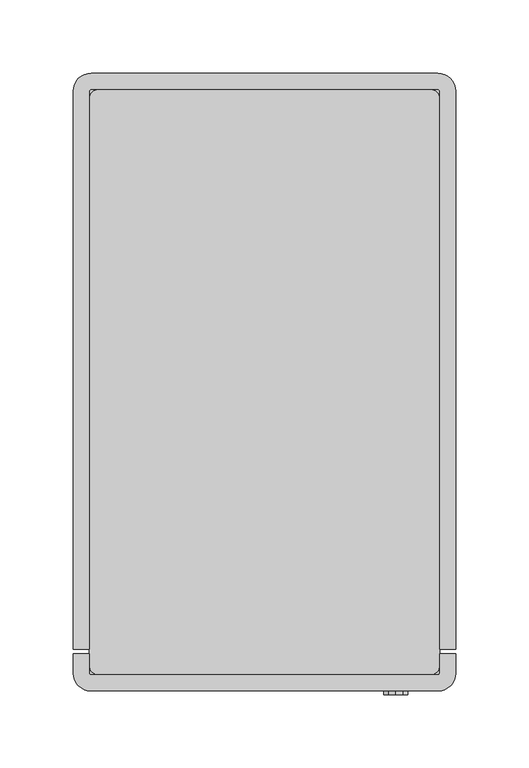
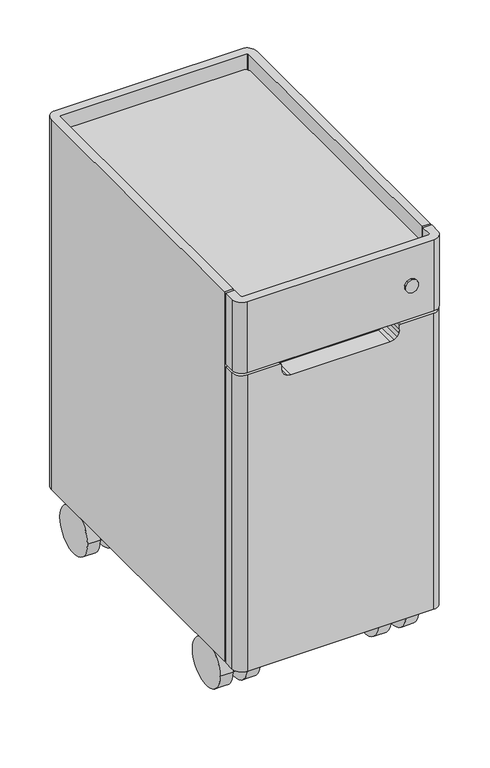
"""IFC4 building model written with IfcOpenShell, lengths in millimetres: furniture geometry."""

from ifc_helpers import new_model, si_unit, point, frame, frame_2d, origin, place, context, project, spatial, polyline, circle_curve, trimmed, segment, composite_curve, outline, extrude, source, transform, mapped, element, save
from ifc_brep_helpers import plane_surface, cylinder_surface, revolved_surface, advanced_brep


def furniture_d437782a(model_context):
    return source(origin(), model_context, "Body", "SolidModel", [
        advanced_brep(
        [(230.8338534, 392.1080568, 81.9865934), (230.8338534, 384.3838281, 81.9865934), (230.8338534, 388.2459425, 81.9865934), (230.8338534, 396.2469802, 60.9600009), (230.8338534, 380.2449047, 60.9600009), (230.8338534, 396.2469802, 30.4800005), (230.8338534, 380.2449047, 30.4800005), (230.8338534, 388.2459425, 30.4800005)],
        [
            (0, 1, circle_curve(frame((230.8338534, 388.2459425, 81.9865934), z_axis=(0.0, 0.0, 1.0), x_axis=(0.0, -1.0, 0.0)), 3.8621143)),
            (1, 2),
            (2, 0),
            (1, 0, circle_curve(frame((230.8338534, 388.2459425, 81.9865934), z_axis=(0.0, 0.0, 1.0), x_axis=(0.0, -1.0, 0.0)), 3.8621143)),
            (0, 3),
            (3, 4, circle_curve(frame((230.8338534, 388.2459425, 60.9600009), z_axis=(0.0, 0.0, 1.0), x_axis=(0.0, -1.0, 0.0)), 8.0010378)),
            (4, 1),
            (4, 3, circle_curve(frame((230.8338534, 388.2459425, 60.9600009), z_axis=(0.0, 0.0, 1.0), x_axis=(0.0, -1.0, 0.0)), 8.0010378)),
            (3, 5),
            (5, 6, circle_curve(frame((230.8338534, 388.2459425, 30.4800005), z_axis=(0.0, 0.0, 1.0), x_axis=(0.0, -1.0, 0.0)), 8.0010378)),
            (6, 4),
            (6, 5, circle_curve(frame((230.8338534, 388.2459425, 30.4800005), z_axis=(0.0, 0.0, 1.0), x_axis=(0.0, -1.0, 0.0)), 8.0010378)),
            (5, 7),
            (7, 6),
        ],
        [
            plane_surface(frame((230.8338534, 388.2459425, 81.9865934), z_axis=(0.0, 0.0, 1.0), x_axis=(0.0, -1.0, 0.0))),
            revolved_surface(polyline([(230.8338534, 384.3838281, 81.9865934), (230.8338534, 380.2449047, 60.9600009)]), (230.8338534, 388.2459425, 64.8312081), (0.0, 0.0, -1.0)),
            cylinder_surface(frame((230.8338534, 388.2459425, 64.8312081), z_axis=(0.0, 0.0, -1.0), x_axis=(0.0, -1.0, 0.0)), 8.0010378),
            plane_surface(frame((230.8338534, 388.2459425, 30.4800005), z_axis=(0.0, 0.0, -1.0), x_axis=(0.0, -1.0, 0.0))),
        ],
        [
            (0, [[1, 2, 3]]),
            (0, [[-2, 4, -3]]),
            (1, [[-1, 5, 6, 7]]),
            (1, [[-4, -7, 8, -5]]),
            (2, [[-6, 9, 10, 11]]),
            (2, [[-8, -11, 12, -9]]),
            (3, [[-10, 13, 14]]),
            (3, [[-12, -14, -13]]),
        ],
    ),
        extrude(outline(composite_curve([segment(trimmed(circle_curve(frame_2d((367.9259255, 30.4800005)), 30.4800005), [point((337.445925, 30.4800005))], [point((398.405926, 30.4800005))], False, "CARTESIAN"), True, "CONTINUOUS"), segment(trimmed(circle_curve(frame_2d((367.9259255, 30.4800005)), 30.4800005), [point((398.405926, 30.4800005))], [point((337.445925, 30.4800005))], False, "CARTESIAN"), True, "CONTINUOUS")], self_intersect=False)), frame((240.2318535, 0.0, 0.0), z_axis=(1.0, 0.0, 0.0), x_axis=(0.0, 1.0, 0.0)), (0.0, 0.0, 1.0), 16.0020006),
        extrude(outline(composite_curve([segment(trimmed(circle_curve(frame_2d((367.9259255, 30.4800005)), 30.4800005), [point((337.445925, 30.4800005))], [point((398.405926, 30.4800005))], False, "CARTESIAN"), True, "CONTINUOUS"), segment(trimmed(circle_curve(frame_2d((367.9259255, 30.4800005)), 30.4800005), [point((398.405926, 30.4800005))], [point((337.445925, 30.4800005))], False, "CARTESIAN"), True, "CONTINUOUS")], self_intersect=False)), frame((205.4338526, 0.0, 0.0), z_axis=(1.0, 0.0, 0.0), x_axis=(0.0, 1.0, 0.0)), (0.0, 0.0, 1.0), 16.0020008),
        extrude(outline(composite_curve([segment(trimmed(circle_curve(frame_2d((367.9259255, 30.4800005)), 30.4800005), [point((337.445925, 30.4800005))], [point((398.405926, 30.4800005))], False, "CARTESIAN"), True, "CONTINUOUS"), segment(polyline([(398.405926, 30.4800005), (337.445925, 30.4800005)]), True, "CONTINUOUS")], self_intersect=False)), frame((222.2935172, 0.0, 0.0), z_axis=(1.0, 0.0, 0.0), x_axis=(0.0, 1.0, 0.0)), (0.0, 0.0, 1.0), 17.0806723),
        advanced_brep(
        [(230.8338534, 56.2728064, 81.9865934), (230.8338534, 60.1349207, 81.9865934), (230.8338534, 52.410692, 81.9865934), (230.8338534, 64.2738442, 60.9600009), (230.8338534, 48.2717686, 60.9600009), (230.8338534, 64.2738442, 30.4800005), (230.8338534, 48.2717686, 30.4800005), (230.8338534, 56.2728064, 30.4800005)],
        [
            (0, 1),
            (1, 2, circle_curve(frame((230.8338534, 56.2728064, 81.9865934), z_axis=(0.0, 0.0, 1.0), x_axis=(0.0, 1.0, 0.0)), 3.8621143)),
            (2, 0),
            (2, 1, circle_curve(frame((230.8338534, 56.2728064, 81.9865934), z_axis=(0.0, 0.0, 1.0), x_axis=(0.0, 1.0, 0.0)), 3.8621143)),
            (1, 3),
            (3, 4, circle_curve(frame((230.8338534, 56.2728064, 60.9600009), z_axis=(0.0, 0.0, 1.0), x_axis=(0.0, 1.0, 0.0)), 8.0010378)),
            (4, 2),
            (4, 3, circle_curve(frame((230.8338534, 56.2728064, 60.9600009), z_axis=(0.0, 0.0, 1.0), x_axis=(0.0, 1.0, 0.0)), 8.0010378)),
            (3, 5),
            (5, 6, circle_curve(frame((230.8338534, 56.2728064, 30.4800005), z_axis=(0.0, 0.0, 1.0), x_axis=(0.0, 1.0, 0.0)), 8.0010378)),
            (6, 4),
            (6, 5, circle_curve(frame((230.8338534, 56.2728064, 30.4800005), z_axis=(0.0, 0.0, 1.0), x_axis=(0.0, 1.0, 0.0)), 8.0010378)),
            (5, 7),
            (7, 6),
        ],
        [
            plane_surface(frame((230.8338534, 56.2728064, 81.9865934), z_axis=(0.0, 0.0, 1.0), x_axis=(0.0, 1.0, 0.0))),
            revolved_surface(polyline([(230.8338534, 64.2738442, 60.9600009), (230.8338534, 60.1349207, 81.9865934)]), (230.8338534, 56.2728064, 64.8312081), (0.0, 0.0, 1.0)),
            cylinder_surface(frame((230.8338534, 56.2728064, 64.8312081), z_axis=(0.0, 0.0, 1.0), x_axis=(0.0, 1.0, 0.0)), 8.0010378),
            plane_surface(frame((230.8338534, 56.2728064, 30.4800005), z_axis=(0.0, 0.0, -1.0), x_axis=(0.0, 1.0, 0.0))),
        ],
        [
            (0, [[1, 2, 3]]),
            (0, [[-1, -3, 4]]),
            (1, [[-2, 5, 6, 7]]),
            (1, [[-4, -7, 8, -5]]),
            (2, [[-6, 9, 10, 11]]),
            (2, [[-8, -11, 12, -9]]),
            (3, [[-10, 13, 14]]),
            (3, [[-12, -14, -13]]),
        ],
    ),
        extrude(outline(composite_curve([segment(trimmed(circle_curve(frame_2d((76.5928234, 30.4800005)), 30.4800005), [point((46.1128229, 30.4800005))], [point((107.0728238, 30.4800005))], False, "CARTESIAN"), True, "CONTINUOUS"), segment(trimmed(circle_curve(frame_2d((76.5928234, 30.4800005)), 30.4800005), [point((107.0728238, 30.4800005))], [point((46.1128229, 30.4800005))], False, "CARTESIAN"), True, "CONTINUOUS")], self_intersect=False)), frame((240.2318535, 0.0, 0.0), z_axis=(1.0, 0.0, 0.0), x_axis=(0.0, 1.0, 0.0)), (0.0, 0.0, 1.0), 16.0020006),
        extrude(outline(composite_curve([segment(trimmed(circle_curve(frame_2d((76.5928234, 30.4800005)), 30.4800005), [point((107.0728238, 30.4800005))], [point((46.1128229, 30.4800005))], False, "CARTESIAN"), True, "CONTINUOUS"), segment(trimmed(circle_curve(frame_2d((76.5928234, 30.4800005)), 30.4800005), [point((46.1128229, 30.4800005))], [point((107.0728238, 30.4800005))], False, "CARTESIAN"), True, "CONTINUOUS")], self_intersect=False)), frame((205.4338526, 0.0, 0.0), z_axis=(1.0, 0.0, 0.0), x_axis=(0.0, 1.0, 0.0)), (0.0, 0.0, 1.0), 16.0020008),
        extrude(outline(composite_curve([segment(trimmed(circle_curve(frame_2d((76.5928234, 30.4800005)), 30.4800005), [point((46.1128229, 30.4800005))], [point((107.0728238, 30.4800005))], False, "CARTESIAN"), True, "CONTINUOUS"), segment(polyline([(107.0728238, 30.4800005), (46.1128229, 30.4800005)]), True, "CONTINUOUS")], self_intersect=False)), frame((222.2935172, 0.0, 0.0), z_axis=(1.0, 0.0, 0.0), x_axis=(0.0, 1.0, 0.0)), (0.0, 0.0, 1.0), 17.0806723),
        advanced_brep(
        [(30.1661494, 388.2459425, 81.9865934), (30.1661494, 384.3838281, 81.9865934), (30.1661494, 392.1080568, 81.9865934), (30.1661494, 380.2449047, 60.9600009), (30.1661494, 396.2469802, 60.9600009), (30.1661494, 380.2449047, 30.4800005), (30.1661494, 396.2469802, 30.4800005), (30.1661494, 388.2459425, 30.4800005)],
        [
            (0, 1),
            (1, 2, circle_curve(frame((30.1661494, 388.2459425, 81.9865934), z_axis=(0.0, 0.0, 1.0), x_axis=(0.0, -1.0, 0.0)), 3.8621143)),
            (2, 0),
            (2, 1, circle_curve(frame((30.1661494, 388.2459425, 81.9865934), z_axis=(0.0, 0.0, 1.0), x_axis=(0.0, -1.0, 0.0)), 3.8621143)),
            (1, 3),
            (3, 4, circle_curve(frame((30.1661494, 388.2459425, 60.9600009), z_axis=(0.0, 0.0, 1.0), x_axis=(0.0, -1.0, 0.0)), 8.0010378)),
            (4, 2),
            (4, 3, circle_curve(frame((30.1661494, 388.2459425, 60.9600009), z_axis=(0.0, 0.0, 1.0), x_axis=(0.0, -1.0, 0.0)), 8.0010378)),
            (3, 5),
            (5, 6, circle_curve(frame((30.1661494, 388.2459425, 30.4800005), z_axis=(0.0, 0.0, 1.0), x_axis=(0.0, -1.0, 0.0)), 8.0010378)),
            (6, 4),
            (6, 5, circle_curve(frame((30.1661494, 388.2459425, 30.4800005), z_axis=(0.0, 0.0, 1.0), x_axis=(0.0, -1.0, 0.0)), 8.0010378)),
            (5, 7),
            (7, 6),
        ],
        [
            plane_surface(frame((30.1661494, 388.2459425, 81.9865934), z_axis=(0.0, 0.0, 1.0), x_axis=(0.0, -1.0, 0.0))),
            revolved_surface(polyline([(30.1661494, 380.2449047, 60.9600009), (30.1661494, 384.3838281, 81.9865934)]), (30.1661494, 388.2459425, 64.8312081), (0.0, 0.0, 1.0)),
            cylinder_surface(frame((30.1661494, 388.2459425, 64.8312081), z_axis=(0.0, 0.0, 1.0), x_axis=(0.0, -1.0, 0.0)), 8.0010378),
            plane_surface(frame((30.1661494, 388.2459425, 30.4800005), z_axis=(0.0, 0.0, -1.0), x_axis=(0.0, -1.0, 0.0))),
        ],
        [
            (0, [[1, 2, 3]]),
            (0, [[-1, -3, 4]]),
            (1, [[-2, 5, 6, 7]]),
            (1, [[-4, -7, 8, -5]]),
            (2, [[-6, 9, 10, 11]]),
            (2, [[-8, -11, 12, -9]]),
            (3, [[-10, 13, 14]]),
            (3, [[-12, -14, -13]]),
        ],
    ),
        extrude(outline(composite_curve([segment(trimmed(circle_curve(frame_2d((367.9259255, 30.4800005)), 30.4800005), [point((337.445925, 30.4800005))], [point((398.405926, 30.4800005))], False, "CARTESIAN"), True, "CONTINUOUS"), segment(trimmed(circle_curve(frame_2d((367.9259255, 30.4800005)), 30.4800005), [point((398.405926, 30.4800005))], [point((337.445925, 30.4800005))], False, "CARTESIAN"), True, "CONTINUOUS")], self_intersect=False)), frame((4.7661486, 0.0, 0.0), z_axis=(1.0, 0.0, 0.0), x_axis=(0.0, 1.0, 0.0)), (0.0, 0.0, 1.0), 16.0020006),
        extrude(outline(composite_curve([segment(trimmed(circle_curve(frame_2d((367.9259255, 30.4800005)), 30.4800005), [point((337.445925, 30.4800005))], [point((398.405926, 30.4800005))], False, "CARTESIAN"), True, "CONTINUOUS"), segment(trimmed(circle_curve(frame_2d((367.9259255, 30.4800005)), 30.4800005), [point((398.405926, 30.4800005))], [point((337.445925, 30.4800005))], False, "CARTESIAN"), True, "CONTINUOUS")], self_intersect=False)), frame((39.5641494, 0.0, 0.0), z_axis=(1.0, 0.0, 0.0), x_axis=(0.0, 1.0, 0.0)), (0.0, 0.0, 1.0), 16.0020008),
        extrude(outline(composite_curve([segment(trimmed(circle_curve(frame_2d((367.9259255, 30.4800005)), 30.4800005), [point((337.445925, 30.4800005))], [point((398.405926, 30.4800005))], False, "CARTESIAN"), True, "CONTINUOUS"), segment(polyline([(398.405926, 30.4800005), (337.445925, 30.4800005)]), True, "CONTINUOUS")], self_intersect=False)), frame((21.6258132, 0.0, 0.0), z_axis=(1.0, 0.0, 0.0), x_axis=(0.0, 1.0, 0.0)), (0.0, 0.0, 1.0), 17.0806723),
        advanced_brep(
        [(30.1661494, 52.410692, 81.9865934), (30.1661494, 60.1349207, 81.9865934), (30.1661494, 56.2728064, 81.9865934), (30.1661494, 48.2717686, 60.9600009), (30.1661494, 64.2738442, 60.9600009), (30.1661494, 48.2717686, 30.4800005), (30.1661494, 64.2738442, 30.4800005), (30.1661494, 56.2728064, 30.4800005)],
        [
            (0, 1, circle_curve(frame((30.1661494, 56.2728064, 81.9865934), z_axis=(0.0, 0.0, 1.0), x_axis=(0.0, 1.0, 0.0)), 3.8621143)),
            (1, 2),
            (2, 0),
            (1, 0, circle_curve(frame((30.1661494, 56.2728064, 81.9865934), z_axis=(0.0, 0.0, 1.0), x_axis=(0.0, 1.0, 0.0)), 3.8621143)),
            (3, 4, circle_curve(frame((30.1661494, 56.2728064, 60.9600009), z_axis=(0.0, 0.0, 1.0), x_axis=(0.0, 1.0, 0.0)), 8.0010378)),
            (4, 1),
            (0, 3),
            (4, 3, circle_curve(frame((30.1661494, 56.2728064, 60.9600009), z_axis=(0.0, 0.0, 1.0), x_axis=(0.0, 1.0, 0.0)), 8.0010378)),
            (5, 6, circle_curve(frame((30.1661494, 56.2728064, 30.4800005), z_axis=(0.0, 0.0, 1.0), x_axis=(0.0, 1.0, 0.0)), 8.0010378)),
            (6, 4),
            (3, 5),
            (6, 5, circle_curve(frame((30.1661494, 56.2728064, 30.4800005), z_axis=(0.0, 0.0, 1.0), x_axis=(0.0, 1.0, 0.0)), 8.0010378)),
            (7, 6),
            (5, 7),
        ],
        [
            plane_surface(frame((30.1661494, 56.2728064, 81.9865934), z_axis=(0.0, 0.0, 1.0), x_axis=(0.0, 1.0, 0.0))),
            revolved_surface(polyline([(30.1661494, 60.1349207, 81.9865934), (30.1661494, 64.2738442, 60.9600009)]), (30.1661494, 56.2728064, 64.8312081), (0.0, 0.0, -1.0)),
            cylinder_surface(frame((30.1661494, 56.2728064, 64.8312081), z_axis=(0.0, 0.0, -1.0), x_axis=(0.0, 1.0, 0.0)), 8.0010378),
            plane_surface(frame((30.1661494, 56.2728064, 30.4800005), z_axis=(0.0, 0.0, -1.0), x_axis=(0.0, 1.0, 0.0))),
        ],
        [
            (0, [[1, 2, 3]]),
            (0, [[4, -3, -2]]),
            (1, [[5, 6, -1, 7]]),
            (1, [[8, -7, -4, -6]]),
            (2, [[9, 10, -5, 11]]),
            (2, [[12, -11, -8, -10]]),
            (3, [[13, -9, 14]]),
            (3, [[-14, -12, -13]]),
        ],
    ),
        advanced_brep(
        [(4.7661486, 107.0728238, 30.4800005), (4.7661486, 46.1128229, 30.4800005), (20.7681494, 107.0728238, 30.4800005), (20.7681494, 76.5928234, 0.0), (20.7681494, 46.1128229, 30.4800005)],
        [
            (0, 1, circle_curve(frame((4.7661486, 76.5928234, 30.4800005), z_axis=(-1.0, 0.0, 0.0), x_axis=(0.0, -1.0, 0.0)), 30.4800005)),
            (1, 0, circle_curve(frame((4.7661486, 76.5928234, 30.4800005), z_axis=(-1.0, 0.0, 0.0), x_axis=(0.0, -1.0, 0.0)), 30.4800005)),
            (0, 2),
            (2, 3, circle_curve(frame((20.7681494, 76.5928234, 30.4800005), z_axis=(-1.0, 0.0, 0.0), x_axis=(0.0, -1.0, 0.0)), 30.4800005)),
            (3, 4, circle_curve(frame((20.7681494, 76.5928234, 30.4800005), z_axis=(-1.0, 0.0, 0.0), x_axis=(0.0, -1.0, 0.0)), 30.4800005)),
            (4, 1),
            (4, 2, circle_curve(frame((20.7681494, 76.5928234, 30.4800005), z_axis=(-1.0, 0.0, 0.0), x_axis=(0.0, -1.0, 0.0)), 30.4800005)),
        ],
        [
            plane_surface(frame((4.7661486, 46.1128229, 30.4800005), z_axis=(-1.0, 0.0, 0.0), x_axis=(0.0, 0.0, 1.0))),
            cylinder_surface(frame((55.5661501, 76.5928234, 30.4800005), z_axis=(-1.0, 0.0, 0.0), x_axis=(0.0, -1.0, 0.0)), 30.4800005),
            plane_surface(frame((20.7681494, 107.0728238, 64.8312081), z_axis=(1.0, 0.0, 0.0), x_axis=(0.0, 0.0, -1.0))),
        ],
        [
            (0, [[1, 2]]),
            (1, [[-1, 3, 4, 5, 6]]),
            (1, [[-2, -6, 7, -3]]),
            (2, [[-4, -7, -5]]),
        ],
    ),
        advanced_brep(
        [(55.5661501, 107.0728238, 30.4800005), (55.5661501, 46.1128229, 30.4800005), (39.5641494, 46.1128229, 30.4800005), (39.5641494, 76.5928234, 0.0), (39.5641494, 107.0728238, 30.4800005)],
        [
            (0, 1, circle_curve(frame((55.5661501, 76.5928234, 30.4800005), z_axis=(1.0, 0.0, 0.0), x_axis=(0.0, -1.0, 0.0)), 30.4800005)),
            (1, 0, circle_curve(frame((55.5661501, 76.5928234, 30.4800005), z_axis=(1.0, 0.0, 0.0), x_axis=(0.0, -1.0, 0.0)), 30.4800005)),
            (1, 2),
            (2, 3, circle_curve(frame((39.5641494, 76.5928234, 30.4800005), z_axis=(1.0, 0.0, 0.0), x_axis=(0.0, -1.0, 0.0)), 30.4800005)),
            (3, 4, circle_curve(frame((39.5641494, 76.5928234, 30.4800005), z_axis=(1.0, 0.0, 0.0), x_axis=(0.0, -1.0, 0.0)), 30.4800005)),
            (4, 0),
            (4, 2, circle_curve(frame((39.5641494, 76.5928234, 30.4800005), z_axis=(1.0, 0.0, 0.0), x_axis=(0.0, -1.0, 0.0)), 30.4800005)),
        ],
        [
            plane_surface(frame((55.5661501, 46.1128229, 30.4800005), z_axis=(1.0, 0.0, 0.0), x_axis=(0.0, 0.0, -1.0))),
            cylinder_surface(frame((55.5661501, 76.5928234, 30.4800005), z_axis=(-1.0, 0.0, 0.0), x_axis=(0.0, -1.0, 0.0)), 30.4800005),
            plane_surface(frame((39.5641494, 46.1128229, 64.8312081), z_axis=(-1.0, 0.0, 0.0), x_axis=(0.0, 0.0, -1.0))),
        ],
        [
            (0, [[1, 2]]),
            (1, [[-2, 3, 4, 5, 6]]),
            (1, [[-1, -6, 7, -3]]),
            (2, [[-5, -4, -7]]),
        ],
    ),
        advanced_brep(
        [(38.7064855, 46.1128229, 30.4800005), (38.7064855, 107.0728238, 30.4800005), (21.6258132, 107.0728238, 30.4800005), (21.6258132, 46.1128229, 30.4800005)],
        [
            (0, 1, circle_curve(frame((38.7064855, 76.5928234, 30.4800005), z_axis=(-1.0, 0.0, 0.0), x_axis=(0.0, -1.0, 0.0)), 30.4800005)),
            (1, 2),
            (2, 3, circle_curve(frame((21.6258132, 76.5928234, 30.4800005), z_axis=(1.0, 0.0, 0.0), x_axis=(0.0, -1.0, 0.0)), 30.4800005)),
            (3, 0),
            (0, 1),
            (2, 3),
        ],
        [
            cylinder_surface(frame((55.5661501, 76.5928234, 30.4800005), z_axis=(-1.0, 0.0, 0.0), x_axis=(0.0, -1.0, 0.0)), 30.4800005),
            plane_surface(frame((38.7064855, 107.0728238, 64.8312081), z_axis=(1.0, 0.0, 0.0), x_axis=(0.0, 0.0, -1.0))),
            plane_surface(frame((21.6258132, 46.1128229, 64.8312081), z_axis=(-1.0, 0.0, 0.0), x_axis=(0.0, 0.0, -1.0))),
            plane_surface(frame((39.5641494, 107.0728238, 30.4800005), z_axis=(0.0, 0.0, -1.0), x_axis=(-1.0, 0.0, 0.0))),
        ],
        [
            (0, [[1, 2, 3, 4]]),
            (1, [[-1, 5]]),
            (2, [[-3, 6]]),
            (3, [[-2, -5, -4, -6]]),
        ],
    ),
        extrude(outline(polyline([(514.0540075, 214.9637501), (509.7614083, 211.8449943), (504.4554641, 211.8449943), (500.162865, 214.9637501), (498.523238, 220.010003), (500.162865, 225.0562559), (504.4554641, 228.1750117), (509.7614083, 228.1750117), (514.0540075, 225.0562559), (515.6936344, 220.010003), (514.0540075, 214.9637501)])), frame((0.0, -2.54, 0.0), z_axis=(0.0, 1.0, 0.0), x_axis=(0.0, 0.0, 1.0)), (0.0, 0.0, 1.0), 2.54),
        extrude(outline(polyline([(250.0087041, 28.4999932), (10.9912986, 28.4999932), (10.9912986, 31.5479932), (250.0087041, 31.5479932), (250.0087041, 28.4999932)])), frame((0.0, 0.0, 62.7640559), z_axis=(0.0, 0.0, 1.0), x_axis=(1.0, 0.0, 0.0)), (0.0, 0.0, 1.0), 27.3200257),
        extrude(outline(composite_curve([segment(trimmed(circle_curve(frame_2d((243.6587041, 404.1587003)), 6.35), [point((243.6587041, 410.5087003))], [point((250.0087041, 404.1587003))], False, "CARTESIAN"), True, "CONTINUOUS"), segment(polyline([(250.0087041, 404.1587003), (250.0087041, 17.3412986)]), True, "CONTINUOUS"), segment(trimmed(circle_curve(frame_2d((243.6587041, 17.3412986)), 6.35), [point((250.0087041, 17.3412986))], [point((243.6587041, 10.9912986))], False, "CARTESIAN"), True, "CONTINUOUS"), segment(polyline([(243.6587041, 10.9912986), (17.3412986, 10.9912986)]), True, "CONTINUOUS"), segment(trimmed(circle_curve(frame_2d((17.3412986, 17.3412986)), 6.35), [point((17.3412986, 10.9912986))], [point((10.9912986, 17.3412986))], False, "CARTESIAN"), True, "CONTINUOUS"), segment(polyline([(10.9912986, 17.3412986), (10.9912986, 404.1587003)]), True, "CONTINUOUS"), segment(trimmed(circle_curve(frame_2d((17.3412986, 404.1587003)), 6.35), [point((10.9912986, 404.1587003))], [point((17.3412986, 410.5087003))], False, "CARTESIAN"), True, "CONTINUOUS"), segment(polyline([(17.3412986, 410.5087003), (243.6587041, 410.5087003)]), True, "CONTINUOUS")], self_intersect=False)), frame((0.0, 0.0, 527.4118917), z_axis=(0.0, 0.0, 1.0), x_axis=(1.0, 0.0, 0.0)), (0.0, 0.0, 1.0), 10.16),
        advanced_brep(
        [(54.3797831, 0.0, 459.4643967), (54.3797831, 25.5000015, 459.4643967), (0.0, 25.5000015, 459.4643967), (0.0, 12.7, 459.4643967), (12.7, 0.0, 459.4643967), (55.5000008, 0.0, 458.344179), (55.5000008, 25.5000015, 458.344179), (55.5000008, 0.0, 452.4643879), (55.5000008, 25.5000015, 452.4643879), (56.4134488, 0.0, 447.87219), (56.4134488, 25.5000015, 447.87219), (59.0147254, 0.0, 443.9791137), (59.0147254, 25.5000015, 443.9791137), (62.9078017, 0.0, 441.377819), (62.9078017, 25.5000015, 441.377819), (67.5000041, 0.0, 440.4643936), (67.5000041, 25.5000015, 440.4643936), (193.4999986, 0.0, 440.4643936), (193.4999986, 25.5000015, 440.4643936), (198.0922146, 0.0, 441.377819), (198.0922146, 25.5000015, 441.377819), (201.985291, 0.0, 443.9791137), (201.985291, 25.5000015, 443.9791137), (204.5865675, 0.0, 447.87219), (204.5865675, 25.5000015, 447.87219), (205.500011, 0.0, 452.4643879), (205.500011, 25.5000015, 452.4643879), (205.500011, 0.0, 458.2351482), (205.500011, 25.5000015, 458.2351482), (206.7292594, 0.0, 459.4643967), (206.7292594, 25.5000015, 459.4643967), (248.3000027, 0.0, 459.4643967), (261.0000027, 12.7, 459.4643967), (261.0000027, 25.5000015, 459.4643967), (0.0, 12.7, 62.7640559), (0.0, 25.5000015, 62.7640559), (261.0000027, 25.5000015, 62.7640559), (261.0000027, 12.7, 62.7640559), (248.3000027, 0.0, 62.7640559), (12.7, 0.0, 62.7640559)],
        [
            (0, 1),
            (1, 2),
            (2, 3),
            (3, 4, circle_curve(frame((12.7, 12.7, 459.4643967), z_axis=(0.0, 0.0, 1.0), x_axis=(1.0, 0.0, 0.0)), 12.7)),
            (4, 0),
            (0, 5, circle_curve(frame((54.3797831, 0.0, 458.344179), z_axis=(0.0, 1.0, 0.0), x_axis=(1.0, 0.0, 0.0)), 1.1202177)),
            (5, 6),
            (6, 1, circle_curve(frame((54.3797831, 25.5000015, 458.344179), z_axis=(0.0, -1.0, 0.0), x_axis=(1.0, 0.0, 0.0)), 1.1202177)),
            (5, 7),
            (7, 8),
            (8, 6),
            (7, 9),
            (9, 10),
            (10, 8),
            (9, 11),
            (11, 12),
            (12, 10),
            (11, 13),
            (13, 14),
            (14, 12),
            (13, 15),
            (15, 16),
            (16, 14),
            (15, 17),
            (17, 18),
            (18, 16),
            (17, 19),
            (19, 20),
            (20, 18),
            (19, 21),
            (21, 22),
            (22, 20),
            (21, 23),
            (23, 24),
            (24, 22),
            (23, 25),
            (25, 26),
            (26, 24),
            (25, 27),
            (27, 28),
            (28, 26),
            (27, 29, circle_curve(frame((206.7292594, 0.0, 458.2351482), z_axis=(0.0, 1.0, 0.0), x_axis=(1.0, 0.0, 0.0)), 1.2292484)),
            (29, 30),
            (30, 28, circle_curve(frame((206.7292594, 25.5000015, 458.2351482), z_axis=(0.0, -1.0, 0.0), x_axis=(1.0, 0.0, 0.0)), 1.2292484)),
            (29, 31),
            (31, 32, circle_curve(frame((248.3000027, 12.7, 459.4643967), z_axis=(0.0, 0.0, 1.0), x_axis=(1.0, 0.0, 0.0)), 12.7)),
            (32, 33),
            (33, 30),
            (34, 35),
            (35, 36),
            (36, 37),
            (37, 38, circle_curve(frame((248.3000027, 12.7, 62.7640559), z_axis=(0.0, 0.0, -1.0), x_axis=(1.0, 0.0, 0.0)), 12.7)),
            (38, 39),
            (39, 34, circle_curve(frame((12.7, 12.7, 62.7640559), z_axis=(0.0, 0.0, -1.0), x_axis=(1.0, 0.0, 0.0)), 12.7)),
            (35, 2),
            (33, 36),
            (34, 3),
            (39, 4),
            (38, 31),
            (37, 32),
        ],
        [
            plane_surface(frame((0.0, 0.0, 459.4643967), z_axis=(0.0, 0.0, 1.0), x_axis=(0.0, 1.0, 0.0))),
            cylinder_surface(frame((54.3797831, 28.4999932, 458.344179), z_axis=(0.0, 1.0, 0.0), x_axis=(1.0, 0.0, 0.0)), 1.1202177),
            plane_surface(frame((55.5000008, 0.0, 458.344179), z_axis=(1.0, 0.0, 0.0), x_axis=(0.0, 1.0, 0.0))),
            plane_surface(frame((55.5000008, 0.0, 452.4643879), z_axis=(0.9807851535229013, 0.0, 0.19509095988553363), x_axis=(0.0, 1.0, 0.0))),
            plane_surface(frame((56.4134488, 0.0, 447.87219), z_axis=(0.8314690099902524, 0.0, 0.5555711344425928), x_axis=(0.0, 1.0, 0.0))),
            plane_surface(frame((59.0147254, 0.0, 443.9791137), z_axis=(0.5555738169377431, 0.0, 0.831467217593831), x_axis=(0.0, 1.0, 0.0))),
            plane_surface(frame((62.9078017, 0.0, 441.377819), z_axis=(0.19508610868871695, 0.0, 0.9807861184767523), x_axis=(0.0, 1.0, 0.0))),
            plane_surface(frame((67.5000041, 0.0, 440.4643936), z_axis=(0.0, 0.0, 1.0), x_axis=(0.0, 1.0, 0.0))),
            plane_surface(frame((193.4999986, 0.0, 440.4643936), z_axis=(-0.19508555187611298, 0.0, 0.9807862292310147), x_axis=(0.0, 1.0, 0.0))),
            plane_surface(frame((198.0922146, 0.0, 441.377819), z_axis=(-0.5555738169377431, 0.0, 0.831467217593831), x_axis=(0.0, 1.0, 0.0))),
            plane_surface(frame((201.985291, 0.0, 443.9791137), z_axis=(-0.8314690099902524, 0.0, 0.5555711344425928), x_axis=(0.0, 1.0, 0.0))),
            plane_surface(frame((204.5865675, 0.0, 447.87219), z_axis=(-0.9807853391316469, 0.0, 0.19509002676820855), x_axis=(0.0, 1.0, 0.0))),
            plane_surface(frame((205.500011, 0.0, 452.4643879), z_axis=(-1.0, 0.0, 0.0), x_axis=(0.0, 1.0, 0.0))),
            cylinder_surface(frame((206.7292594, 28.4999932, 458.2351482), z_axis=(0.0, 1.0, 0.0), x_axis=(1.0, 0.0, 0.0)), 1.2292484),
            plane_surface(frame((206.7292594, 0.0, 459.4643967), z_axis=(0.0, 0.0, 1.0), x_axis=(0.0, 1.0, 0.0))),
            plane_surface(frame((25.4, 12.7, 62.7640559), z_axis=(0.0, 0.0, -1.0), x_axis=(0.0, -1.0, 0.0))),
            plane_surface(frame((261.0000027, 25.5000015, 462.6418917), z_axis=(0.0, 1.0, 0.0), x_axis=(0.0, 0.0, -1.0))),
            plane_surface(frame((0.0, 25.5000015, 462.6418917), z_axis=(-1.0, 0.0, 0.0), x_axis=(0.0, 0.0, -1.0))),
            cylinder_surface(frame((12.7, 12.7, 62.7640559), z_axis=(0.0, 0.0, 1.0), x_axis=(1.0, 0.0, 0.0)), 12.7),
            plane_surface(frame((12.7, 0.0, 462.6418917), z_axis=(0.0, -1.0, 0.0), x_axis=(0.0, 0.0, -1.0))),
            cylinder_surface(frame((248.3000027, 12.7, 62.7640559), z_axis=(0.0, 0.0, 1.0), x_axis=(1.0, 0.0, 0.0)), 12.7),
            plane_surface(frame((261.0000027, 12.7, 462.6418917), z_axis=(1.0, 0.0, 0.0), x_axis=(0.0, 0.0, -1.0))),
        ],
        [
            (0, [[1, 2, 3, 4, 5]]),
            (1, [[-1, 6, 7, 8]]),
            (2, [[-7, 9, 10, 11]]),
            (3, [[-10, 12, 13, 14]]),
            (4, [[-13, 15, 16, 17]]),
            (5, [[-16, 18, 19, 20]]),
            (6, [[-19, 21, 22, 23]]),
            (7, [[-22, 24, 25, 26]]),
            (8, [[-25, 27, 28, 29]]),
            (9, [[-28, 30, 31, 32]]),
            (10, [[-31, 33, 34, 35]]),
            (11, [[-34, 36, 37, 38]]),
            (12, [[-37, 39, 40, 41]]),
            (13, [[-40, 42, 43, 44]]),
            (14, [[-43, 45, 46, 47, 48]]),
            (15, [[49, 50, 51, 52, 53, 54]]),
            (16, [[-50, 55, -2, -8, -11, -14, -17, -20, -23, -26, -29, -32, -35, -38, -41, -44, -48, 56]]),
            (17, [[-49, 57, -3, -55]]),
            (18, [[-54, 58, -4, -57]]),
            (19, [[-53, 59, -45, -42, -39, -36, -33, -30, -27, -24, -21, -18, -15, -12, -9, -6, -5, -58]]),
            (20, [[-52, 60, -46, -59]]),
            (21, [[-51, -56, -47, -60]]),
        ],
    ),
        extrude(outline(composite_curve([segment(polyline([(250.0087041, 25.5000015), (261.0000027, 25.5000015), (261.0000027, 11.9509481)]), True, "CONTINUOUS"), segment(trimmed(circle_curve(frame_2d((249.0490547, 11.9509481)), 11.9509481), [point((261.0000027, 11.9509481))], [point((249.0490547, 0.0))], False, "CARTESIAN"), True, "CONTINUOUS"), segment(polyline([(249.0490547, 0.0), (11.9689086, 0.0)]), True, "CONTINUOUS"), segment(trimmed(circle_curve(frame_2d((11.9689086, 11.9689086)), 11.9689086), [point((11.9689086, 0.0))], [point((0.0, 11.9689086))], False, "CARTESIAN"), True, "CONTINUOUS"), segment(polyline([(0.0, 11.9689086), (0.0, 25.5000015), (10.9912986, 25.5000015), (10.9912986, 11.8911967)]), True, "CONTINUOUS"), segment(trimmed(circle_curve(frame_2d((11.8911967, 11.8911967)), 0.8998981), [point((10.9912986, 11.8911967))], [point((11.8911967, 10.9912986))], True, "CARTESIAN"), True, "CONTINUOUS"), segment(polyline([(11.8911967, 10.9912986), (249.0537338, 10.9912986)]), True, "CONTINUOUS"), segment(trimmed(circle_curve(frame_2d((249.0537338, 11.9462689)), 0.9549703), [point((249.0537338, 10.9912986))], [point((250.0087041, 11.9462689))], True, "CARTESIAN"), True, "CONTINUOUS"), segment(polyline([(250.0087041, 11.9462689), (250.0087041, 25.5000015)]), True, "CONTINUOUS")], self_intersect=False)), frame((0.0, 0.0, 462.6418917), z_axis=(0.0, 0.0, 1.0), x_axis=(1.0, 0.0, 0.0)), (0.0, 0.0, 1.0), 95.25),
        extrude(outline(polyline([(250.0087041, 410.5087003), (250.0087041, 31.5479932), (10.9912986, 31.5479932), (10.9912986, 410.5087003), (250.0087041, 410.5087003)])), frame((0.0, 0.0, 73.8130559), z_axis=(0.0, 0.0, 1.0), x_axis=(1.0, 0.0, 0.0)), (0.0, 0.0, 1.0), 16.2710257),
        extrude(outline(composite_curve([segment(trimmed(circle_curve(frame_2d((248.8080027, 409.3079989)), 12.192), [point((248.8080027, 421.4999989))], [point((261.0000027, 409.3079989))], False, "CARTESIAN"), True, "CONTINUOUS"), segment(polyline([(261.0000027, 409.3079989), (261.0000027, 28.4999932), (250.0087041, 28.4999932), (250.0087041, 409.4565578)]), True, "CONTINUOUS"), segment(trimmed(circle_curve(frame_2d((248.9565617, 409.4565578)), 1.0521425), [point((250.0087041, 409.4565578))], [point((248.9565617, 410.5087003))], True, "CARTESIAN"), True, "CONTINUOUS"), segment(polyline([(248.9565617, 410.5087003), (12.0072986, 410.5087003)]), True, "CONTINUOUS"), segment(trimmed(circle_curve(frame_2d((12.0072986, 409.4927003)), 1.016), [point((12.0072986, 410.5087003))], [point((10.9912986, 409.4927003))], True, "CARTESIAN"), True, "CONTINUOUS"), segment(polyline([(10.9912986, 409.4927003), (10.9912986, 28.4999932), (0.0, 28.4999932), (0.0, 409.3079989)]), True, "CONTINUOUS"), segment(trimmed(circle_curve(frame_2d((12.192, 409.3079989)), 12.192), [point((0.0, 409.3079989))], [point((12.192, 421.4999989))], False, "CARTESIAN"), True, "CONTINUOUS"), segment(polyline([(12.192, 421.4999989), (248.8080027, 421.4999989)]), True, "CONTINUOUS")], self_intersect=False)), frame((0.0, 0.0, 62.7640559), z_axis=(0.0, 0.0, 1.0), x_axis=(1.0, 0.0, 0.0)), (0.0, 0.0, 1.0), 495.1278357),
    ])


if __name__ == "__main__":
    model = new_model("IFC4")
    model_context = context("Model", 3, world=origin())
    ifc_project = project(units=[si_unit("LENGTHUNIT", "METRE", prefix="MILLI")], contexts=[model_context])
    site = spatial("IfcSite", under=ifc_project)
    building = spatial("IfcBuilding", under=site)
    placement = place(None, origin())
    furniture_shape = furniture_d437782a(model_context)
    element("IfcFurniture", 1, at=placement, inside=building, context=model_context, shape_type="MappedRepresentation", body=[
        mapped(furniture_shape, transform((0.0, 0.0, 0.0), x_axis=(1.0, 0.0, 0.0), y_axis=(0.0, 1.0, 0.0), z_axis=(0.0, 0.0, 1.0))),
    ])
    save(model, "model.ifc")
